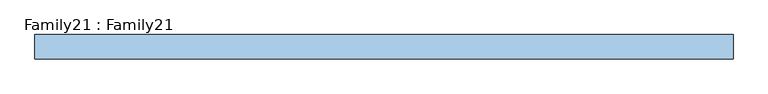
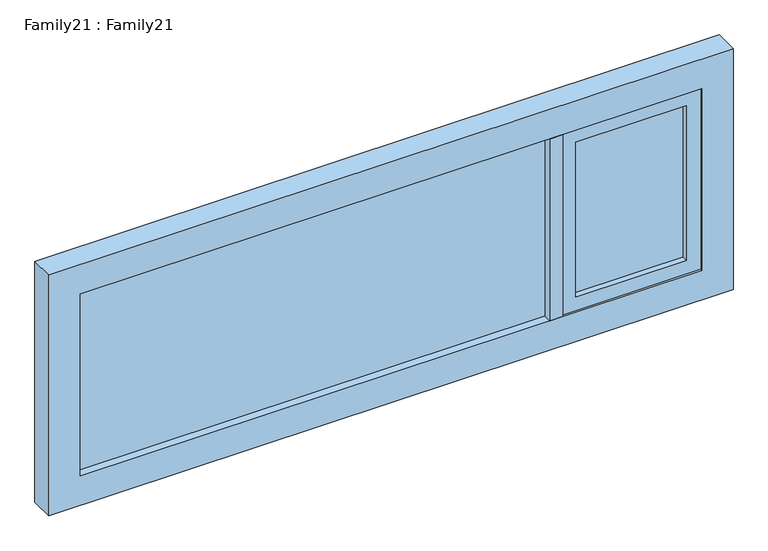
"""IFC4 building model written with IfcOpenShell, lengths in millimetres: window geometry, Family21 : Family21."""

from ifc_helpers import new_model, si_unit, frame, origin, place, context, project, spatial, polyline, outline, extrude, source, transform, mapped, element, save


def family21_family21_091006b2(model_context):
    return source(origin(), model_context, "Body", "SweptSolid", [
        extrude(outline(polyline([(1036.0, 14.0), (1036.0, 10.0), (650.0, 10.0), (650.0, 14.0), (1036.0, 14.0)])), frame((0.0, 0.0, 959.0), z_axis=(0.0, 0.0, 1.0), x_axis=(1.0, 0.0, 0.0)), (0.0, 0.0, 1.0), 572.0),
        extrude(outline(polyline([(650.0, -14.0), (650.0, -10.0), (1036.0, -10.0), (1036.0, -14.0), (650.0, -14.0)])), frame((0.0, 0.0, 959.0), z_axis=(0.0, 0.0, 1.0), x_axis=(1.0, 0.0, 0.0)), (0.0, 0.0, 1.0), 572.0),
        extrude(outline(polyline([(553.8050141, 14.0), (553.8050141, 10.0), (-1086.0, 10.0), (-1086.0, 14.0), (553.8050141, 14.0)])), frame((0.0, 0.0, 909.0), z_axis=(0.0, 0.0, 1.0), x_axis=(1.0, 0.0, 0.0)), (0.0, 0.0, 1.0), 672.0),
        extrude(outline(polyline([(-1086.0, -14.0), (-1086.0, -10.0), (553.8050141, -10.0), (553.8050141, -14.0), (-1086.0, -14.0)])), frame((0.0, 0.0, 909.0), z_axis=(0.0, 0.0, 1.0), x_axis=(1.0, 0.0, 0.0)), (0.0, 0.0, 1.0), 672.0),
        extrude(outline(polyline([(600.0, -42.0), (553.8050141, -42.0), (553.8050141, 42.0), (600.0, 42.0), (600.0, -42.0)])), frame((0.0, 0.0, 909.0), z_axis=(0.0, 0.0, 1.0), x_axis=(1.0, 0.0, 0.0)), (0.0, 0.0, 1.0), 672.0),
        extrude(outline(polyline([(1581.0, 1086.0), (1581.0, 600.0), (909.0, 600.0), (909.0, 1086.0), (1581.0, 1086.0)]), holes=[polyline([(959.0, 650.0), (1531.0, 650.0), (1531.0, 1036.0), (959.0, 1036.0), (959.0, 650.0)])]), frame((0.0, -35.5110303, 0.0), z_axis=(0.0, 1.0, 0.0), x_axis=(0.0, 0.0, 1.0)), (0.0, 0.0, 1.0), 70.4146297),
        extrude(outline(polyline([(1690.0, 1195.0), (1690.0, -1195.0), (800.0, -1195.0), (800.0, 1195.0), (1690.0, 1195.0)]), holes=[polyline([(909.0, 1086.0), (909.0, -1086.0), (1581.0, -1086.0), (1581.0, 1086.0), (909.0, 1086.0)])]), frame((0.0, -42.0, 0.0), z_axis=(0.0, 1.0, 0.0), x_axis=(0.0, 0.0, 1.0)), (0.0, 0.0, 1.0), 84.0),
    ])


if __name__ == "__main__":
    model = new_model("IFC4")
    model_context = context("Model", 3, world=origin())
    ifc_project = project(units=[si_unit("LENGTHUNIT", "METRE", prefix="MILLI")], contexts=[model_context])
    site = spatial("IfcSite", under=ifc_project)
    building = spatial("IfcBuilding", under=site)
    placement = place(None, origin())
    family21_family21_shape = family21_family21_091006b2(model_context)
    element("IfcWindow", 1, ObjectType="Family21 : Family21", at=placement, inside=building, context=model_context, shape_type="MappedRepresentation", body=[
        mapped(family21_family21_shape, transform((0.0, 0.0, 0.0), x_axis=(1.0, 0.0, 0.0), y_axis=(0.0, 1.0, 0.0), z_axis=(0.0, 0.0, 1.0))),
    ])
    save(model, "model.ifc")
